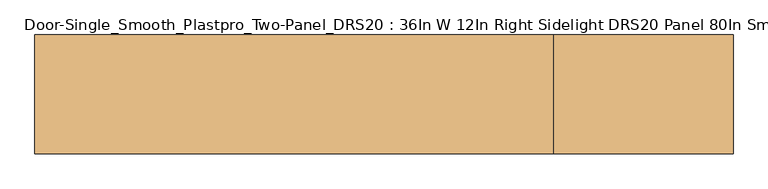
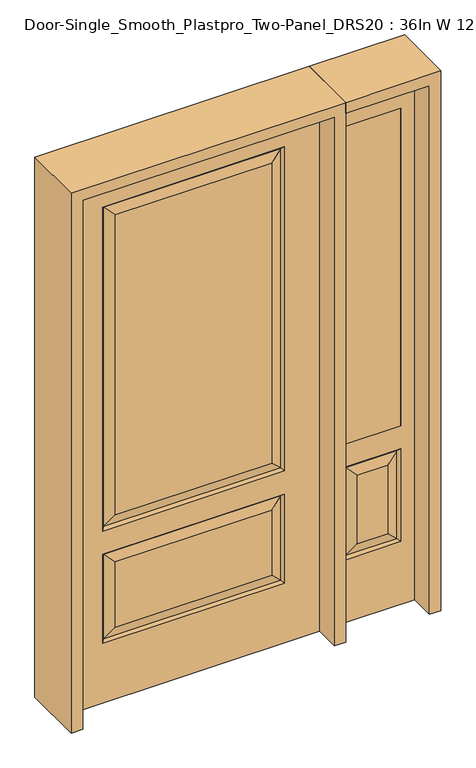
"""IFC4 building model written with IfcOpenShell, lengths in millimetres: door geometry, Door-Single_Smooth_Plastpro_Two-Panel_DRS20 : 36In W 12In Right Sidelight DRS20 Panel 80In Smooth."""

from ifc_helpers import new_model, si_unit, frame, origin, place, context, project, spatial, polyline, outline, extrude, faceted_brep, source, transform, mapped, element, save


def door_single_smooth_plastpro_two_panel_drs20_36in_w_12in_8a2516be(model_context):
    return source(origin(), model_context, "Body", "SolidModel", [
        extrude(outline(polyline([(549.275, -20.6375), (549.275, 20.6375), (752.475, 20.6375), (752.475, -20.6375), (549.275, -20.6375)])), frame((0.0, 0.0, 685.8), z_axis=(0.0, 0.0, 1.0), x_axis=(1.0, 0.0, 0.0)), (0.0, 0.0, 1.0), 1219.2),
        faceted_brep([(803.275, -20.6375, 0.0), (803.275, -20.6375, 2032.0), (498.475, -20.6375, 2032.0), (498.475, -20.6375, 0.0), (549.275, -20.6375, 685.8), (549.275, -20.6375, 1905.0), (752.475, -20.6375, 1905.0), (752.475, -20.6375, 685.8), (549.275, -20.6375, 241.3), (549.275, -20.6375, 596.9), (752.475, -20.6375, 596.9), (752.475, -20.6375, 241.3), (706.4375, -20.6375, 287.3375), (706.4375, -20.6375, 550.8625), (595.3125, -20.6375, 550.8625), (595.3125, -20.6375, 287.3375), (498.475, 20.6375, 0.0), (803.275, 20.6375, 0.0), (498.475, 20.6375, 2032.0), (803.275, 20.6375, 2032.0), (558.2552561, -11.6572439, 250.2802561), (743.4947439, -11.6572439, 250.2802561), (743.4947439, -11.6572439, 587.9197439), (558.2552561, -11.6572439, 587.9197439), (752.475, 20.6375, 685.8), (549.275, 20.6375, 685.8), (752.475, 20.6375, 1905.0), (549.275, 20.6375, 1905.0), (752.475, 20.6375, 241.3), (752.475, 20.6375, 596.9), (549.275, 20.6375, 596.9), (549.275, 20.6375, 241.3), (595.3125, 20.6375, 287.3375), (595.3125, 20.6375, 550.8625), (706.4375, 20.6375, 550.8625), (706.4375, 20.6375, 287.3375), (558.2552561, 11.6572439, 250.2802561), (743.4947439, 11.6572439, 250.2802561), (558.2552561, 11.6572439, 587.9197439), (743.4947439, 11.6572439, 587.9197439)], [[[0, 1, 2, 3], [4, 5, 6, 7], [8, 9, 10, 11]], [[12, 13, 14, 15]], [[3, 16, 17, 0]], [[2, 18, 16, 3]], [[0, 17, 19, 1]], [[20, 8, 11, 21]], [[11, 10, 22, 21]], [[10, 9, 23, 22]], [[20, 23, 9, 8]], [[21, 12, 15, 20]], [[15, 14, 23, 20]], [[22, 23, 14, 13]], [[21, 22, 13, 12]], [[4, 7, 24, 25]], [[7, 6, 26, 24]], [[25, 27, 5, 4]], [[17, 16, 18, 19], [24, 26, 27, 25], [28, 29, 30, 31]], [[32, 33, 34, 35]], [[28, 31, 36, 37]], [[31, 30, 38, 36]], [[39, 38, 30, 29]], [[37, 39, 29, 28]], [[36, 32, 35, 37]], [[35, 34, 39, 37]], [[34, 33, 38, 39]], [[36, 38, 33, 32]], [[1, 19, 18, 2]], [[27, 26, 6, 5]]]),
        faceted_brep([(457.2, 20.6375, 0.0), (457.2, -20.6375, 0.0), (-457.2, -20.6375, 0.0), (-457.2, 20.6375, 0.0), (457.2, 20.6375, 2032.0), (457.2, -20.6375, 2032.0), (-284.1625, -20.6375, 706.4375), (284.1625, -20.6375, 706.4375), (284.1625, -20.6375, 1858.9625), (-284.1625, -20.6375, 1858.9625), (-284.1625, -20.6375, 274.6375), (284.1625, -20.6375, 274.6375), (284.1625, -20.6375, 525.4625), (-284.1625, -20.6375, 525.4625), (-457.2, -20.6375, 2032.0), (330.2, -20.6375, 660.4), (-330.2, -20.6375, 660.4), (-330.2, -20.6375, 1905.0), (330.2, -20.6375, 1905.0), (330.2, -20.6375, 228.6), (-330.2, -20.6375, 228.6), (-330.2, -20.6375, 571.5), (330.2, -20.6375, 571.5), (-457.2, 20.6375, 2032.0), (-284.1625, 20.6375, 525.4625), (284.1625, 20.6375, 525.4625), (284.1625, 20.6375, 274.6375), (-284.1625, 20.6375, 274.6375), (-284.1625, 20.6375, 1858.9625), (284.1625, 20.6375, 1858.9625), (284.1625, 20.6375, 706.4375), (-284.1625, 20.6375, 706.4375), (330.2, 20.6375, 571.5), (-330.2, 20.6375, 571.5), (-330.2, 20.6375, 228.6), (330.2, 20.6375, 228.6), (330.2, 20.6375, 1905.0), (-330.2, 20.6375, 1905.0), (-330.2, 20.6375, 660.4), (330.2, 20.6375, 660.4), (-321.2197439, 11.6572439, 1896.0197439), (-321.2197439, 11.6572439, 669.3802561), (321.2197439, 11.6572439, 669.3802561), (321.2197439, 11.6572439, 1896.0197439), (321.2197439, 11.6572439, 562.5197439), (-321.2197439, 11.6572439, 562.5197439), (-321.2197439, 11.6572439, 237.5802561), (321.2197439, 11.6572439, 237.5802561), (321.2197439, -11.6572439, 669.3802561), (-321.2197439, -11.6572439, 669.3802561), (-321.2197439, -11.6572439, 1896.0197439), (321.2197439, -11.6572439, 1896.0197439), (321.2197439, -11.6572439, 237.5802561), (-321.2197439, -11.6572439, 237.5802561), (-321.2197439, -11.6572439, 562.5197439), (321.2197439, -11.6572439, 562.5197439)], [[[0, 1, 2, 3]], [[4, 5, 1, 0]], [[6, 7, 8, 9]], [[10, 11, 12, 13]], [[5, 14, 2, 1], [15, 16, 17, 18], [19, 20, 21, 22]], [[14, 23, 3, 2]], [[24, 25, 26, 27]], [[28, 29, 30, 31]], [[23, 4, 0, 3], [32, 33, 34, 35], [36, 37, 38, 39]], [[37, 40, 41, 38]], [[38, 41, 42, 39]], [[43, 36, 39, 42]], [[29, 43, 42, 30]], [[41, 31, 30, 42]], [[40, 28, 31, 41]], [[44, 45, 33, 32]], [[33, 45, 46, 34]], [[34, 46, 47, 35]], [[44, 32, 35, 47]], [[45, 44, 25, 24]], [[25, 44, 47, 26]], [[46, 27, 26, 47]], [[45, 24, 27, 46]], [[48, 49, 16, 15]], [[16, 49, 50, 17]], [[48, 15, 18, 51]], [[49, 48, 7, 6]], [[7, 48, 51, 8]], [[49, 6, 9, 50]], [[52, 53, 20, 19]], [[20, 53, 54, 21]], [[21, 54, 55, 22]], [[52, 19, 22, 55]], [[53, 52, 11, 10]], [[11, 52, 55, 12]], [[54, 13, 12, 55]], [[53, 10, 13, 54]], [[4, 23, 14, 5]], [[17, 50, 51, 18]], [[50, 9, 8, 51]], [[43, 40, 37, 36]], [[40, 43, 29, 28]]]),
        extrude(outline(polyline([(2073.275, -498.475), (0.0, -498.475), (0.0, -457.2), (2032.0, -457.2), (2032.0, 457.2), (0.0, 457.2), (0.0, 498.475), (2073.275, 498.475), (2073.275, -498.475)])), frame((0.0, -114.3, 0.0), z_axis=(0.0, 1.0, 0.0), x_axis=(0.0, 0.0, 1.0)), (0.0, 0.0, 1.0), 228.6),
        extrude(outline(polyline([(0.0, 803.275), (0.0, 844.55), (2073.275, 844.55), (2073.275, 498.475), (2032.0, 498.475), (2032.0, 803.275), (0.0, 803.275)])), frame((0.0, -114.3, 0.0), z_axis=(0.0, 1.0, 0.0), x_axis=(0.0, 0.0, 1.0)), (0.0, 0.0, 1.0), 228.6),
    ])


if __name__ == "__main__":
    model = new_model("IFC4")
    model_context = context("Model", 3, world=origin())
    ifc_project = project(units=[si_unit("LENGTHUNIT", "METRE", prefix="MILLI")], contexts=[model_context])
    site = spatial("IfcSite", under=ifc_project)
    building = spatial("IfcBuilding", under=site)
    placement = place(None, origin())
    door_single_smooth_plastpro_two_panel_drs20_36in_w_12in_shape = door_single_smooth_plastpro_two_panel_drs20_36in_w_12in_8a2516be(model_context)
    element("IfcDoor", 1, ObjectType="Door-Single_Smooth_Plastpro_Two-Panel_DRS20 : 36In W 12In Right Sidelight DRS20 Panel 80In Smooth", at=placement, inside=building, context=model_context, shape_type="MappedRepresentation", body=[
        mapped(door_single_smooth_plastpro_two_panel_drs20_36in_w_12in_shape, transform((0.0, 0.0, 0.0), x_axis=(1.0, 0.0, 0.0), y_axis=(0.0, 1.0, 0.0), z_axis=(0.0, 0.0, 1.0))),
    ])
    save(model, "model.ifc")
